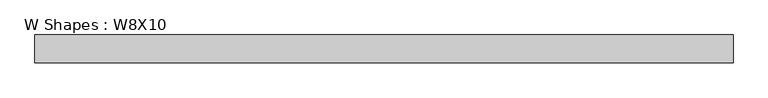
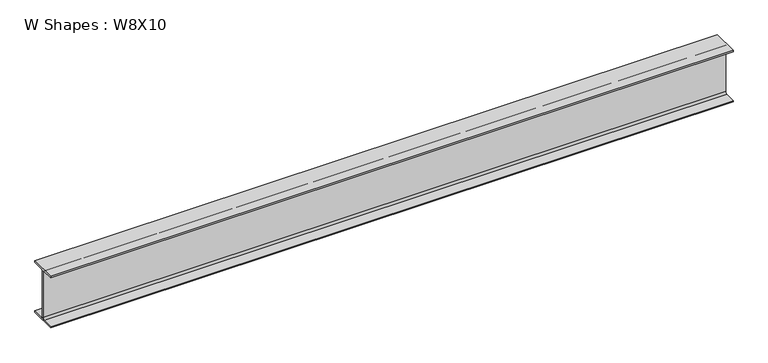
"""IFC4 building model written with IfcOpenShell, lengths in millimetres: beam geometry, W Shapes : W8X10."""

from ifc_helpers import new_model, si_unit, point, frame, frame_2d, origin, place, context, project, spatial, polyline, circle_curve, trimmed, segment, composite_curve, outline, extrude, source, transform, mapped, element, save


def w_shapes_w8x10_29d713d6(model_context):
    return source(origin(), model_context, "Body", "SweptSolid", [
        extrude(outline(composite_curve([segment(polyline([(50.038, -94.996), (50.038, -100.203), (-50.038, -100.203), (-50.038, -94.996), (-9.779, -94.996)]), True, "CONTINUOUS"), segment(trimmed(circle_curve(frame_2d((-9.779, -87.376)), 7.62), [point((-9.779, -94.996))], [point((-2.159, -87.376))], True, "CARTESIAN"), True, "CONTINUOUS"), segment(polyline([(-2.159, -87.376), (-2.159, 87.376)]), True, "CONTINUOUS"), segment(trimmed(circle_curve(frame_2d((-9.779, 87.376)), 7.62), [point((-2.159, 87.376))], [point((-9.779, 94.996))], True, "CARTESIAN"), True, "CONTINUOUS"), segment(polyline([(-9.779, 94.996), (-50.038, 94.996), (-50.038, 100.203), (50.038, 100.203), (50.038, 94.996), (9.779, 94.996)]), True, "CONTINUOUS"), segment(trimmed(circle_curve(frame_2d((9.779, 87.376)), 7.62), [point((9.779, 94.996))], [point((2.159, 87.376))], True, "CARTESIAN"), True, "CONTINUOUS"), segment(polyline([(2.159, 87.376), (2.159, -87.376)]), True, "CONTINUOUS"), segment(trimmed(circle_curve(frame_2d((9.779, -87.376)), 7.62), [point((2.159, -87.376))], [point((9.779, -94.996))], True, "CARTESIAN"), True, "CONTINUOUS"), segment(polyline([(9.779, -94.996), (50.038, -94.996)]), True, "CONTINUOUS")], self_intersect=False)), frame((-1230.750626, 0.0, 0.0), z_axis=(1.0, 0.0, 0.0), x_axis=(0.0, 1.0, 0.0)), (0.0, 0.0, 1.0), 2517.0764521),
    ])


if __name__ == "__main__":
    model = new_model("IFC4")
    model_context = context("Model", 3, world=origin())
    ifc_project = project(units=[si_unit("LENGTHUNIT", "METRE", prefix="MILLI")], contexts=[model_context])
    site = spatial("IfcSite", under=ifc_project)
    building = spatial("IfcBuilding", under=site)
    placement = place(None, origin())
    w_shapes_w8x10_shape = w_shapes_w8x10_29d713d6(model_context)
    element("IfcBeam", 1, ObjectType="W Shapes : W8X10", at=placement, inside=building, context=model_context, shape_type="MappedRepresentation", body=[
        mapped(w_shapes_w8x10_shape, transform((0.0, 0.0, 0.0), x_axis=(1.0, 0.0, 0.0), y_axis=(0.0, 1.0, 0.0), z_axis=(0.0, 0.0, 1.0))),
    ])
    save(model, "model.ifc")
